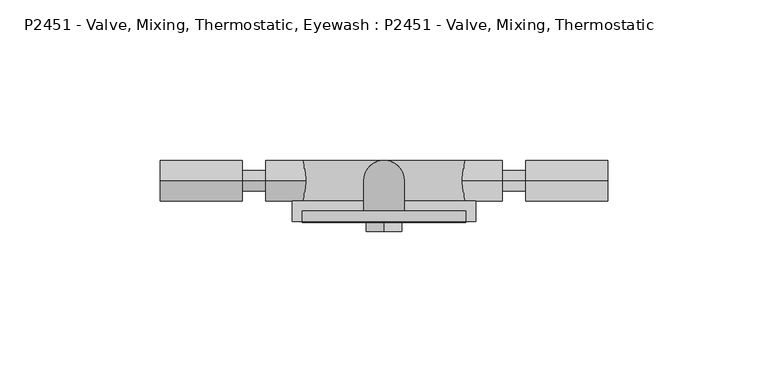
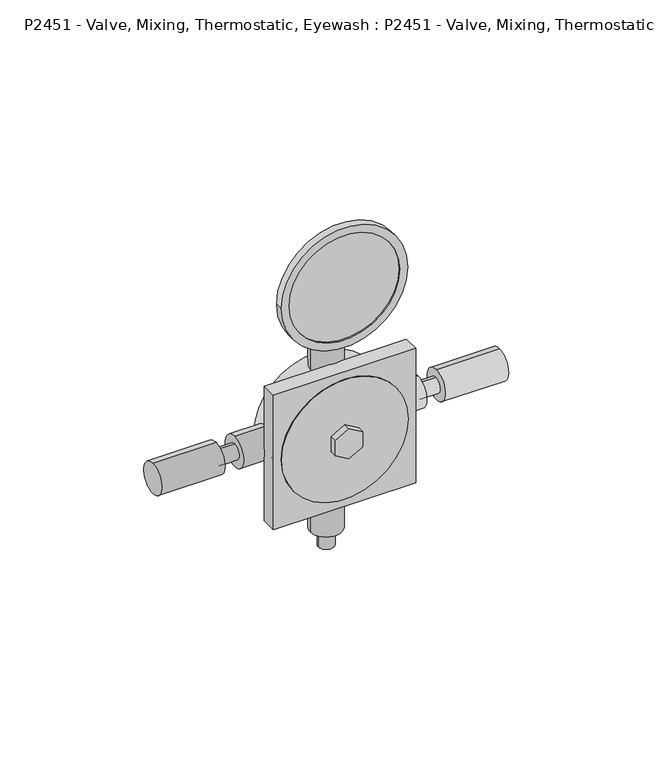
"""IFC4 building model written with IfcOpenShell, lengths in millimetres: proxy geometry, P2451 - Valve, Mixing, Thermostatic, Eyewash : P2451 - Valve, Mixing, Thermostatic."""

from ifc_helpers import new_model, si_unit, point, frame, frame_2d, origin, origin_with_axes, place, context, project, spatial, polyline, circle_curve, ellipse_curve, trimmed, segment, composite_curve, outline, extrude, source, transform, mapped, element, save
from ifc_brep_helpers import plane_surface, cylinder_surface, revolved_surface, advanced_brep


def p2451_valve_mixing_thermostatic_eyewash_p2451_valve_mixing_67b43995(model_context):
    return source(origin(), model_context, "Body", "SolidModel", [
        advanced_brep(
        [(-25.4, -19.05, 116.6617353), (25.4, -19.05, 116.6617353), (22.225, -19.05, 116.6617353), (-22.225, -19.05, 116.6617353), (-25.4, -15.875, 116.6617353), (25.4, -15.875, 116.6617353), (-22.225, -18.4365805, 116.6617353), (22.225, -18.4365805, 116.6617353)],
        [
            (0, 1, circle_curve(frame((0.0, -19.05, 116.6617353), z_axis=(0.0, -1.0, 0.0), x_axis=(1.0, 0.0, 0.0)), 25.4)),
            (1, 0, circle_curve(frame((0.0, -19.05, 116.6617353), z_axis=(0.0, -1.0, 0.0), x_axis=(1.0, 0.0, 0.0)), 25.4)),
            (2, 3, circle_curve(frame((0.0, -19.05, 116.6617353), z_axis=(0.0, 1.0, 0.0), x_axis=(1.0, 0.0, 0.0)), 22.225)),
            (3, 2, circle_curve(frame((0.0, -19.05, 116.6617353), z_axis=(0.0, 1.0, 0.0), x_axis=(1.0, 0.0, 0.0)), 22.225)),
            (4, 5, circle_curve(frame((0.0, -15.875, 116.6617353), z_axis=(0.0, 1.0, 0.0), x_axis=(1.0, 0.0, 0.0)), 25.4)),
            (5, 4, circle_curve(frame((0.0, -15.875, 116.6617353), z_axis=(0.0, 1.0, 0.0), x_axis=(1.0, 0.0, 0.0)), 25.4)),
            (0, 4),
            (5, 1),
            (6, 7, circle_curve(frame((0.0, -18.4365805, 116.6617353), z_axis=(0.0, -1.0, 0.0), x_axis=(1.0, 0.0, 0.0)), 22.225)),
            (7, 6, circle_curve(frame((0.0, -18.4365805, 116.6617353), z_axis=(0.0, -1.0, 0.0), x_axis=(1.0, 0.0, 0.0)), 22.225)),
            (6, 3),
            (2, 7),
        ],
        [
            plane_surface(frame((25.4, -19.05, 116.6617353), z_axis=(0.0, -1.0, 0.0), x_axis=(0.0, 0.0, 1.0))),
            plane_surface(frame((25.4, -15.875, 116.6617353), z_axis=(0.0, 1.0, 0.0), x_axis=(0.0, 0.0, -1.0))),
            cylinder_surface(frame((0.0, -15.875, 116.6617353), z_axis=(0.0, -1.0, 0.0), x_axis=(1.0, 0.0, 0.0)), 25.4),
            plane_surface(frame((22.225, -18.4365805, 116.6617353), z_axis=(0.0, -1.0, 0.0), x_axis=(0.0, 0.0, -1.0))),
            revolved_surface(polyline([(22.225, -19.05, 116.6617353), (22.225, -18.4365805, 116.6617353)]), (0.0, -18.4365805, 116.6617353), (0.0, -1.0, 0.0)),
        ],
        [
            (0, [[1, 2], [3, 4]]),
            (1, [[5, 6]]),
            (2, [[-1, 7, -6, 8]]),
            (2, [[-2, -8, -5, -7]]),
            (3, [[9, 10]]),
            (4, [[-9, 11, -3, 12]]),
            (4, [[-10, -12, -4, -11]]),
        ],
    ),
        extrude(outline(composite_curve([segment(trimmed(circle_curve(frame_2d((52.3679853, 0.0)), 25.4), [point((52.3679853, -25.4))], [point((52.3679853, 25.4))], False, "CARTESIAN"), True, "CONTINUOUS"), segment(trimmed(circle_curve(frame_2d((52.3679853, 0.0)), 25.4), [point((52.3679853, 25.4))], [point((52.3679853, -25.4))], False, "CARTESIAN"), True, "CONTINUOUS")], self_intersect=False), holes=[polyline([(55.5429853, -5.4992613), (58.7179853, 0.0), (55.5429853, 5.4992613), (49.1929853, 5.4992613), (46.0179853, 0.0), (49.1929853, -5.4992613), (55.5429853, -5.4992613)])]), frame((0.0, -19.3538069, 0.0), z_axis=(0.0, 1.0, 0.0), x_axis=(0.0, 0.0, 1.0)), (0.0, 0.0, 1.0), 0.3038069),
        extrude(outline(composite_curve([segment(trimmed(circle_curve(frame_2d((-6.35, 52.3679853)), 6.35), [point((-6.35, 46.0179853))], [point((-6.35, 58.7179853))], False, "CARTESIAN"), True, "CONTINUOUS"), segment(trimmed(circle_curve(frame_2d((-6.35, 52.3679853)), 6.35), [point((-6.35, 58.7179853))], [point((-6.35, 46.0179853))], False, "CARTESIAN"), True, "CONTINUOUS")], self_intersect=False)), frame((-69.6424307, 0.0, 0.0), z_axis=(1.0, 0.0, 0.0), x_axis=(0.0, 1.0, 0.0)), (0.0, 0.0, 1.0), 25.4),
        extrude(outline(composite_curve([segment(trimmed(circle_curve(frame_2d((-6.35, 52.3679853)), 3.175), [point((-6.35, 49.1929853))], [point((-6.35, 55.5429853))], False, "CARTESIAN"), True, "CONTINUOUS"), segment(trimmed(circle_curve(frame_2d((-6.35, 52.3679853)), 3.175), [point((-6.35, 55.5429853))], [point((-6.35, 49.1929853))], False, "CARTESIAN"), True, "CONTINUOUS")], self_intersect=False)), frame((-44.2424307, 0.0, 0.0), z_axis=(1.0, 0.0, 0.0), x_axis=(0.0, 1.0, 0.0)), (0.0, 0.0, 1.0), 7.4334859),
        extrude(outline(composite_curve([segment(trimmed(circle_curve(frame_2d((-6.35, 52.3679853)), 6.35), [point((-6.35, 46.0179853))], [point((-6.35, 58.7179853))], False, "CARTESIAN"), True, "CONTINUOUS"), segment(trimmed(circle_curve(frame_2d((-6.35, 52.3679853)), 6.35), [point((-6.35, 58.7179853))], [point((-6.35, 46.0179853))], False, "CARTESIAN"), True, "CONTINUOUS")], self_intersect=False)), frame((-36.8089448, 0.0, 0.0), z_axis=(1.0, 0.0, 0.0), x_axis=(0.0, 1.0, 0.0)), (0.0, 0.0, 1.0), 12.7),
        extrude(outline(composite_curve([segment(trimmed(circle_curve(frame_2d((-6.35, 52.3679853)), 6.35), [point((-6.35, 46.0179853))], [point((-6.35, 58.7179853))], False, "CARTESIAN"), True, "CONTINUOUS"), segment(trimmed(circle_curve(frame_2d((-6.35, 52.3679853)), 6.35), [point((-6.35, 58.7179853))], [point((-6.35, 46.0179853))], False, "CARTESIAN"), True, "CONTINUOUS")], self_intersect=False)), frame((44.2424307, 0.0, 0.0), z_axis=(1.0, 0.0, 0.0), x_axis=(0.0, 1.0, 0.0)), (0.0, 0.0, 1.0), 25.4),
        extrude(outline(composite_curve([segment(trimmed(circle_curve(frame_2d((-6.35, 52.3679853)), 3.175), [point((-6.35, 49.1929853))], [point((-6.35, 55.5429853))], False, "CARTESIAN"), True, "CONTINUOUS"), segment(trimmed(circle_curve(frame_2d((-6.35, 52.3679853)), 3.175), [point((-6.35, 55.5429853))], [point((-6.35, 49.1929853))], False, "CARTESIAN"), True, "CONTINUOUS")], self_intersect=False)), frame((36.8089448, 0.0, 0.0), z_axis=(1.0, 0.0, 0.0), x_axis=(0.0, 1.0, 0.0)), (0.0, 0.0, 1.0), 7.4334859),
        extrude(outline(composite_curve([segment(trimmed(circle_curve(frame_2d((0.0, -6.35)), 3.175), [point((-3.175, -6.35))], [point((3.175, -6.35))], False, "CARTESIAN"), True, "CONTINUOUS"), segment(trimmed(circle_curve(frame_2d((0.0, -6.35)), 3.175), [point((3.175, -6.35))], [point((-3.175, -6.35))], False, "CARTESIAN"), True, "CONTINUOUS")], self_intersect=False)), origin_with_axes(), (0.0, 0.0, 1.0), 7.4334859),
        advanced_brep(
        [(-6.35, -6.35, 103.9617353), (6.35, -6.35, 103.9617353), (-6.35, -6.35, 116.6617353), (6.35, -6.35, 116.6617353), (-6.35, -15.875, 116.6617353), (6.35, -15.875, 116.6617353)],
        [
            (0, 1, circle_curve(frame((0.0, -6.35, 103.9617353), z_axis=(0.0, 0.0, -1.0), x_axis=(-1.0, 0.0, 0.0)), 6.35)),
            (1, 0, circle_curve(frame((0.0, -6.35, 103.9617353), z_axis=(0.0, 0.0, -1.0), x_axis=(-1.0, 0.0, 0.0)), 6.35)),
            (0, 2),
            (2, 3, ellipse_curve(frame((0.0, -6.35, 116.6617353), z_axis=(0.0, 0.7071067811865646, -0.7071067811865305), x_axis=(0.0, -0.7071067811865304, -0.7071067811865646)), 8.9802561, 6.35)),
            (3, 1),
            (3, 2, ellipse_curve(frame((0.0, -6.35, 116.6617353), z_axis=(0.0, 0.7071067811865646, -0.7071067811865305), x_axis=(0.0, -0.7071067811865304, -0.7071067811865646)), 8.9802561, 6.35)),
            (4, 5, circle_curve(frame((0.0, -15.875, 116.6617353), z_axis=(0.0, -1.0, 0.0), x_axis=(-1.0, 0.0, 0.0)), 6.35)),
            (5, 4, circle_curve(frame((0.0, -15.875, 116.6617353), z_axis=(0.0, -1.0, 0.0), x_axis=(-1.0, 0.0, 0.0)), 6.35)),
            (2, 4),
            (5, 3),
        ],
        [
            plane_surface(frame((0.0, -6.35, 103.9617353), z_axis=(0.0, 0.0, -1.0), x_axis=(1.0, 0.0, 0.0))),
            cylinder_surface(frame((0.0, -6.35, 103.9617353), z_axis=(0.0, 0.0, -1.0), x_axis=(-1.0, 0.0, 0.0)), 6.35),
            plane_surface(frame((0.0, -15.875, 116.6617353), z_axis=(0.0, -1.0, 0.0), x_axis=(1.0, 0.0, 0.0))),
            cylinder_surface(frame((0.0, -6.35, 116.6617353), z_axis=(0.0, 1.0, 0.0), x_axis=(-1.0, 0.0, 0.0)), 6.35),
        ],
        [
            (0, [[1, 2]]),
            (1, [[-1, 3, 4, 5]]),
            (1, [[-2, -5, 6, -3]]),
            (2, [[7, 8]]),
            (3, [[-4, 9, -8, 10]]),
            (3, [[-6, -10, -7, -9]]),
        ],
    ),
        extrude(outline(composite_curve([segment(trimmed(circle_curve(frame_2d((0.0, -6.35)), 6.35), [point((6.35, -6.35))], [point((-6.35, -6.35))], False, "CARTESIAN"), True, "CONTINUOUS"), segment(trimmed(circle_curve(frame_2d((0.0, -6.35)), 6.35), [point((-6.35, -6.35))], [point((6.35, -6.35))], False, "CARTESIAN"), True, "CONTINUOUS")], self_intersect=False)), frame((0.0, 0.0, 7.4334859), z_axis=(0.0, 0.0, 1.0), x_axis=(1.0, 0.0, 0.0)), (0.0, 0.0, 1.0), 20.3410552),
        extrude(outline(composite_curve([segment(trimmed(circle_curve(frame_2d((0.0, -6.35)), 6.35), [point((6.35, -6.35))], [point((-6.35, -6.35))], False, "CARTESIAN"), True, "CONTINUOUS"), segment(trimmed(circle_curve(frame_2d((0.0, -6.35)), 6.35), [point((-6.35, -6.35))], [point((6.35, -6.35))], False, "CARTESIAN"), True, "CONTINUOUS")], self_intersect=False)), frame((0.0, 0.0, 76.4769302), z_axis=(0.0, 0.0, 1.0), x_axis=(1.0, 0.0, 0.0)), (0.0, 0.0, 1.0), 27.4848052),
        extrude(outline(composite_curve([segment(trimmed(circle_curve(frame_2d((-6.35, 52.3679853)), 6.35), [point((-6.35, 46.0179853))], [point((-6.35, 58.7179853))], False, "CARTESIAN"), True, "CONTINUOUS"), segment(trimmed(circle_curve(frame_2d((-6.35, 52.3679853)), 6.35), [point((-6.35, 58.7179853))], [point((-6.35, 46.0179853))], False, "CARTESIAN"), True, "CONTINUOUS")], self_intersect=False)), frame((24.1089448, 0.0, 0.0), z_axis=(1.0, 0.0, 0.0), x_axis=(0.0, 1.0, 0.0)), (0.0, 0.0, 1.0), 12.7),
        extrude(outline(polyline([(55.5429853, -5.4992613), (49.1929853, -5.4992613), (46.0179853, 0.0), (49.1929853, 5.4992613), (55.5429853, 5.4992613), (58.7179853, 0.0), (55.5429853, -5.4992613)])), frame((0.0, -22.225, 0.0), z_axis=(0.0, 1.0, 0.0), x_axis=(0.0, 0.0, 1.0)), (0.0, 0.0, 1.0), 3.175),
        extrude(outline(polyline([(28.575, -19.05), (-28.575, -19.05), (-28.575, -12.7), (28.575, -12.7), (28.575, -19.05)])), frame((0.0, 0.0, 23.7929853), z_axis=(0.0, 0.0, 1.0), x_axis=(1.0, 0.0, 0.0)), (0.0, 0.0, 1.0), 57.15),
        extrude(outline(composite_curve([segment(trimmed(circle_curve(frame_2d((52.3679853, 0.0)), 25.4), [point((52.3679853, -25.4))], [point((52.3679853, 25.4))], False, "CARTESIAN"), True, "CONTINUOUS"), segment(trimmed(circle_curve(frame_2d((52.3679853, 0.0)), 25.4), [point((52.3679853, 25.4))], [point((52.3679853, -25.4))], False, "CARTESIAN"), True, "CONTINUOUS")], self_intersect=False)), frame((0.0, -12.7, 0.0), z_axis=(0.0, 1.0, 0.0), x_axis=(0.0, 0.0, 1.0)), (0.0, 0.0, 1.0), 12.7),
    ])


if __name__ == "__main__":
    model = new_model("IFC4")
    model_context = context("Model", 3, world=origin())
    ifc_project = project(units=[si_unit("LENGTHUNIT", "METRE", prefix="MILLI")], contexts=[model_context])
    site = spatial("IfcSite", under=ifc_project)
    building = spatial("IfcBuilding", under=site)
    placement = place(None, origin())
    p2451_valve_mixing_thermostatic_eyewash_p2451_valve_mixing_shape = p2451_valve_mixing_thermostatic_eyewash_p2451_valve_mixing_67b43995(model_context)
    element("IfcBuildingElementProxy", 1, Name="P2451 - Valve, Mixing, Thermostatic, Eyewash : P2451 - Valve, Mixing, Thermostatic", ObjectType="P2451 - Valve, Mixing, Thermostatic, Eyewash : P2451 - Valve, Mixing, Thermostatic", at=placement, inside=building, context=model_context, shape_type="MappedRepresentation", body=[
        mapped(p2451_valve_mixing_thermostatic_eyewash_p2451_valve_mixing_shape, transform((0.0, 0.0, 0.0), x_axis=(1.0, 0.0, 0.0), y_axis=(0.0, 1.0, 0.0), z_axis=(0.0, 0.0, 1.0))),
    ])
    save(model, "model.ifc")
